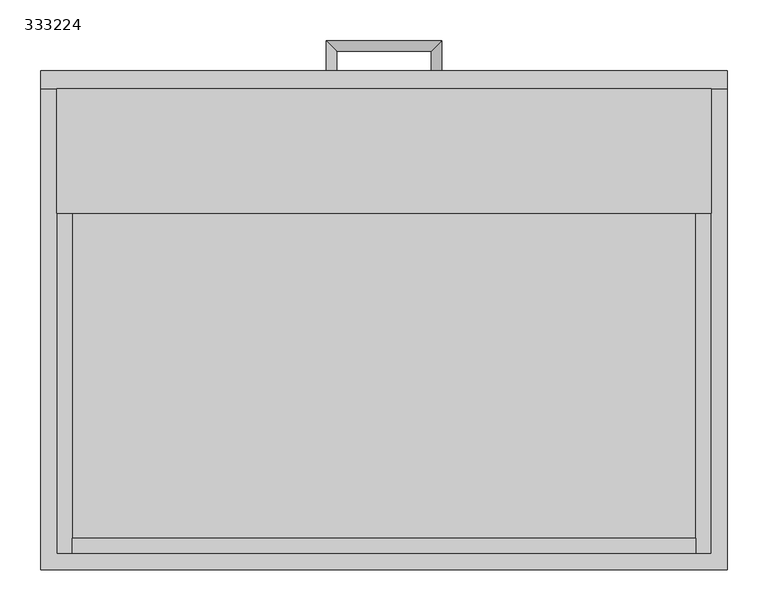
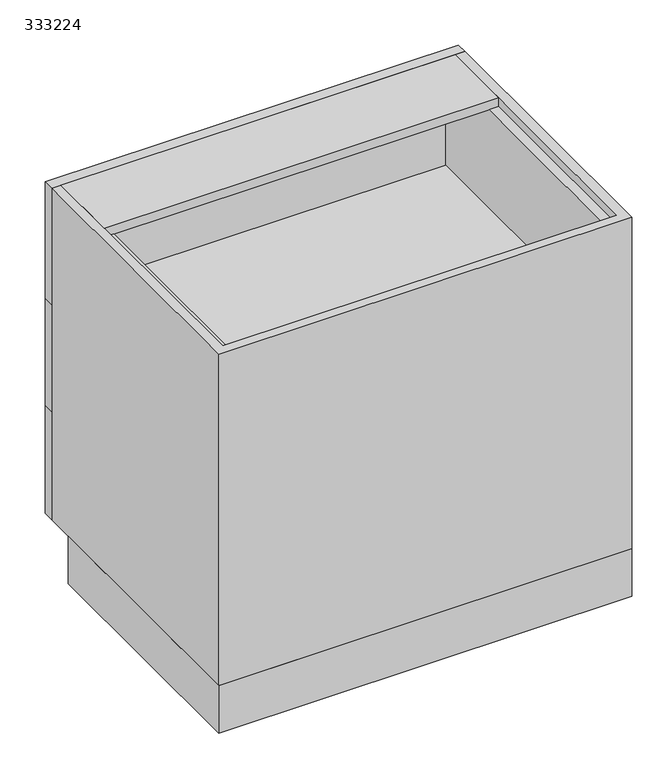
"""IFC4 building model written with IfcOpenShell, lengths in millimetres: furniture geometry, 333224."""

from ifc_helpers import new_model, si_unit, frame, origin, origin_with_axes, place, context, project, spatial, polyline, circle_curve, ellipse_curve, outline, extrude, source, transform, mapped, element, save
from ifc_brep_helpers import plane_surface, cylinder_surface, advanced_brep


def furniture_333224_3ac7c11c(model_context):
    return source(origin(), model_context, "Body", "SolidModel", [
        extrude(outline(polyline([(-400.3622951, 0.0), (-400.3622951, 528.6), (437.8377049, 528.6), (437.8377049, 0.0), (-400.3622951, 0.0)]), holes=[polyline([(-381.1622951, 509.4), (-381.1622951, 19.2), (418.6377049, 19.2), (418.6377049, 509.4), (-381.1622951, 509.4)])]), origin_with_axes(), (0.0, 0.0, 1.0), 101.5996875),
        extrude(outline(polyline([(399.4377049, 19.2), (-361.9622951, 19.2), (-361.9622951, 38.4), (399.4377049, 38.4), (399.4377049, 19.2)])), frame((0.0, 0.0, 582.1332292), z_axis=(0.0, 0.0, 1.0), x_axis=(1.0, 0.0, 0.0)), (0.0, 0.0, 1.0), 211.4667708),
        extrude(outline(polyline([(399.4377049, 19.2), (-361.9622951, 19.2), (-361.9622951, 38.4), (399.4377049, 38.4), (399.4377049, 19.2)])), frame((0.0, 0.0, 351.4664583), z_axis=(0.0, 0.0, 1.0), x_axis=(1.0, 0.0, 0.0)), (0.0, 0.0, 1.0), 211.4667708),
        extrude(outline(polyline([(399.4377049, 19.2), (-361.9622951, 19.2), (-361.9622951, 38.4), (399.4377049, 38.4), (399.4377049, 19.2)])), frame((0.0, 0.0, 120.7996875), z_axis=(0.0, 0.0, 1.0), x_axis=(1.0, 0.0, 0.0)), (0.0, 0.0, 1.0), 211.4667708),
        extrude(outline(polyline([(793.6, -381.1622951), (562.9332292, -381.1622951), (562.9332292, 418.6377049), (793.6, 418.6377049), (793.6, 399.4377049), (582.1332292, 399.4377049), (582.1332292, -361.9622951), (793.6, -361.9622951), (793.6, -381.1622951)])), frame((0.0, 19.2, 0.0), z_axis=(0.0, 1.0, 0.0), x_axis=(0.0, 0.0, 1.0)), (0.0, 0.0, 1.0), 568.4),
        extrude(outline(polyline([(562.9332292, -381.1622951), (332.2664583, -381.1622951), (332.2664583, 418.6377049), (562.9332292, 418.6377049), (562.9332292, 399.4377049), (351.4664583, 399.4377049), (351.4664583, -361.9622951), (562.9332292, -361.9622951), (562.9332292, -381.1622951)])), frame((0.0, 19.2, 0.0), z_axis=(0.0, 1.0, 0.0), x_axis=(0.0, 0.0, 1.0)), (0.0, 0.0, 1.0), 568.4),
        extrude(outline(polyline([(332.2664583, -381.1622951), (101.5996875, -381.1622951), (101.5996875, 418.6377049), (332.2664583, 418.6377049), (332.2664583, 399.4377049), (120.7996875, 399.4377049), (120.7996875, -361.9622951), (332.2664583, -361.9622951), (332.2664583, -381.1622951)])), frame((0.0, 19.2, 0.0), z_axis=(0.0, 1.0, 0.0), x_axis=(0.0, 0.0, 1.0)), (0.0, 0.0, 1.0), 568.4),
        extrude(outline(polyline([(418.6377049, 435.2), (-381.1622951, 435.2), (-381.1622951, 587.6), (418.6377049, 587.6), (418.6377049, 435.2)])), frame((0.0, 0.0, 793.6), z_axis=(0.0, 0.0, 1.0), x_axis=(1.0, 0.0, 0.0)), (0.0, 0.0, 1.0), 19.2),
        extrude(outline(polyline([(-400.3622951, 609.6), (437.8377049, 609.6), (437.8377049, 587.6), (-400.3622951, 587.6), (-400.3622951, 609.6)])), frame((0.0, 0.0, 562.9332292), z_axis=(0.0, 0.0, 1.0), x_axis=(1.0, 0.0, 0.0)), (0.0, 0.0, 1.0), 249.8667708),
        advanced_brep(
        [(-51.6122951, 609.6, 678.2666146), (-38.9122951, 609.6, 678.2666146), (-38.9122951, 633.25, 678.2666146), (-51.6122951, 645.95, 678.2666146), (76.3877049, 633.25, 678.2666146), (89.0877049, 645.95, 678.2666146), (89.0877049, 609.6, 678.2666146), (76.3877049, 609.6, 678.2666146)],
        [
            (0, 1, circle_curve(frame((-45.2622951, 609.6, 678.2666146), z_axis=(0.0, -1.0, 0.0), x_axis=(1.0, 0.0, 0.0)), 6.35)),
            (1, 0, circle_curve(frame((-45.2622951, 609.6, 678.2666146), z_axis=(0.0, -1.0, 0.0), x_axis=(1.0, 0.0, 0.0)), 6.35)),
            (1, 2),
            (2, 3, ellipse_curve(frame((-45.2622951, 639.6, 678.2666146), z_axis=(-0.7071067811865475, -0.7071067811865475, 0.0), x_axis=(0.7071067811865474, -0.7071067811865476, 0.0)), 8.9802561, 6.35)),
            (3, 0),
            (3, 2, ellipse_curve(frame((-45.2622951, 639.6, 678.2666146), z_axis=(-0.7071067811865475, -0.7071067811865475, 0.0), x_axis=(0.7071067811865474, -0.7071067811865476, 0.0)), 8.9802561, 6.35)),
            (2, 4),
            (4, 5, ellipse_curve(frame((82.7377049, 639.6, 678.2666146), z_axis=(-0.7071067811865475, 0.7071067811865475, 0.0), x_axis=(-0.7071067811865476, -0.7071067811865474, 0.0)), 8.9802561, 6.35)),
            (5, 3),
            (5, 4, ellipse_curve(frame((82.7377049, 639.6, 678.2666146), z_axis=(-0.7071067811865475, 0.7071067811865475, 0.0), x_axis=(-0.7071067811865476, -0.7071067811865474, 0.0)), 8.9802561, 6.35)),
            (6, 7, circle_curve(frame((82.7377049, 609.6, 678.2666146), z_axis=(0.0, -1.0, 0.0), x_axis=(-1.0, 0.0, 0.0)), 6.35)),
            (7, 6, circle_curve(frame((82.7377049, 609.6, 678.2666146), z_axis=(0.0, -1.0, 0.0), x_axis=(-1.0, 0.0, 0.0)), 6.35)),
            (4, 7),
            (6, 5),
        ],
        [
            plane_surface(frame((-45.2622951, 609.6, 678.2666146), z_axis=(0.0, -1.0, 0.0), x_axis=(0.0, 0.0, 1.0))),
            cylinder_surface(frame((-45.2622951, 609.6, 678.2666146), z_axis=(0.0, -1.0, 0.0), x_axis=(1.0, 0.0, 0.0)), 6.35),
            cylinder_surface(frame((-45.2622951, 639.6, 678.2666146), z_axis=(-1.0, 0.0, 0.0), x_axis=(0.0, -1.0, 0.0)), 6.35),
            plane_surface(frame((82.7377049, 609.6, 678.2666146), z_axis=(0.0, -1.0, 0.0), x_axis=(0.0, 0.0, 1.0))),
            cylinder_surface(frame((82.7377049, 639.6, 678.2666146), z_axis=(0.0, 1.0, 0.0), x_axis=(-1.0, 0.0, 0.0)), 6.35),
        ],
        [
            (0, [[1, 2]]),
            (1, [[3, 4, 5, -2]]),
            (1, [[-5, 6, -3, -1]]),
            (2, [[7, 8, 9, -4]]),
            (2, [[-9, 10, -7, -6]]),
            (3, [[11, 12]]),
            (4, [[13, -11, 14, -8]]),
            (4, [[-14, -12, -13, -10]]),
        ],
    ),
        advanced_brep(
        [(76.3877049, 609.6, 216.9330729), (89.0877049, 609.6, 216.9330729), (89.0877049, 645.95, 216.9330729), (76.3877049, 633.25, 216.9330729), (-51.6122951, 645.95, 216.9330729), (-38.9122951, 633.25, 216.9330729), (-38.9122951, 609.6, 216.9330729), (-51.6122951, 609.6, 216.9330729)],
        [
            (0, 1, circle_curve(frame((82.7377049, 609.6, 216.9330729), z_axis=(0.0, -1.0, 0.0), x_axis=(1.0, 0.0, 0.0)), 6.35)),
            (1, 0, circle_curve(frame((82.7377049, 609.6, 216.9330729), z_axis=(0.0, -1.0, 0.0), x_axis=(1.0, 0.0, 0.0)), 6.35)),
            (1, 2),
            (2, 3, ellipse_curve(frame((82.7377049, 639.6, 216.9330729), z_axis=(0.7071067811865475, -0.7071067811865475, 0.0), x_axis=(-0.7071067811865474, -0.7071067811865476, 0.0)), 8.9802561, 6.35)),
            (3, 0),
            (3, 2, ellipse_curve(frame((82.7377049, 639.6, 216.9330729), z_axis=(0.7071067811865475, -0.7071067811865475, 0.0), x_axis=(-0.7071067811865474, -0.7071067811865476, 0.0)), 8.9802561, 6.35)),
            (2, 4),
            (4, 5, ellipse_curve(frame((-45.2622951, 639.6, 216.9330729), z_axis=(0.7071067811865475, 0.7071067811865475, 0.0), x_axis=(0.7071067811865476, -0.7071067811865474, 0.0)), 8.9802561, 6.35)),
            (5, 3),
            (5, 4, ellipse_curve(frame((-45.2622951, 639.6, 216.9330729), z_axis=(0.7071067811865475, 0.7071067811865475, 0.0), x_axis=(0.7071067811865476, -0.7071067811865474, 0.0)), 8.9802561, 6.35)),
            (6, 7, circle_curve(frame((-45.2622951, 609.6, 216.9330729), z_axis=(0.0, -1.0, 0.0), x_axis=(-1.0, 0.0, 0.0)), 6.35)),
            (7, 6, circle_curve(frame((-45.2622951, 609.6, 216.9330729), z_axis=(0.0, -1.0, 0.0), x_axis=(-1.0, 0.0, 0.0)), 6.35)),
            (4, 7),
            (6, 5),
        ],
        [
            plane_surface(frame((82.7377049, 609.6, 216.9330729), z_axis=(0.0, -1.0, 0.0), x_axis=(0.0, 0.0, 1.0))),
            cylinder_surface(frame((82.7377049, 609.6, 216.9330729), z_axis=(0.0, -1.0, 0.0), x_axis=(1.0, 0.0, 0.0)), 6.35),
            cylinder_surface(frame((82.7377049, 639.6, 216.9330729), z_axis=(1.0, 0.0, 0.0), x_axis=(0.0, 1.0, 0.0)), 6.35),
            plane_surface(frame((-45.2622951, 609.6, 216.9330729), z_axis=(0.0, -1.0, 0.0), x_axis=(0.0, 0.0, 1.0))),
            cylinder_surface(frame((-45.2622951, 639.6, 216.9330729), z_axis=(0.0, 1.0, 0.0), x_axis=(-1.0, 0.0, 0.0)), 6.35),
        ],
        [
            (0, [[1, 2]]),
            (1, [[3, 4, 5, -2]]),
            (1, [[-5, 6, -3, -1]]),
            (2, [[7, 8, 9, -4]]),
            (2, [[-9, 10, -7, -6]]),
            (3, [[11, 12]]),
            (4, [[13, -11, 14, -8]]),
            (4, [[-14, -12, -13, -10]]),
        ],
    ),
        extrude(outline(polyline([(437.8377049, 587.6), (-400.3622951, 587.6), (-400.3622951, 609.6), (437.8377049, 609.6), (437.8377049, 587.6)])), frame((0.0, 0.0, 101.5996875), z_axis=(0.0, 0.0, 1.0), x_axis=(1.0, 0.0, 0.0)), (0.0, 0.0, 1.0), 230.6667708),
        advanced_brep(
        [(-51.6122951, 609.6, 447.5998437), (-38.9122951, 609.6, 447.5998437), (-38.9122951, 633.25, 447.5998437), (-51.6122951, 645.95, 447.5998437), (76.3877049, 633.25, 447.5998437), (89.0877049, 645.95, 447.5998437), (89.0877049, 609.6, 447.5998437), (76.3877049, 609.6, 447.5998437)],
        [
            (0, 1, circle_curve(frame((-45.2622951, 609.6, 447.5998437), z_axis=(0.0, -1.0, 0.0), x_axis=(1.0, 0.0, 0.0)), 6.35)),
            (1, 0, circle_curve(frame((-45.2622951, 609.6, 447.5998437), z_axis=(0.0, -1.0, 0.0), x_axis=(1.0, 0.0, 0.0)), 6.35)),
            (1, 2),
            (2, 3, ellipse_curve(frame((-45.2622951, 639.6, 447.5998437), z_axis=(-0.7071067811865475, -0.7071067811865475, 0.0), x_axis=(0.7071067811865474, -0.7071067811865476, 0.0)), 8.9802561, 6.35)),
            (3, 0),
            (3, 2, ellipse_curve(frame((-45.2622951, 639.6, 447.5998437), z_axis=(-0.7071067811865475, -0.7071067811865475, 0.0), x_axis=(0.7071067811865474, -0.7071067811865476, 0.0)), 8.9802561, 6.35)),
            (2, 4),
            (4, 5, ellipse_curve(frame((82.7377049, 639.6, 447.5998437), z_axis=(-0.7071067811865475, 0.7071067811865475, 0.0), x_axis=(-0.7071067811865476, -0.7071067811865474, 0.0)), 8.9802561, 6.35)),
            (5, 3),
            (5, 4, ellipse_curve(frame((82.7377049, 639.6, 447.5998437), z_axis=(-0.7071067811865475, 0.7071067811865475, 0.0), x_axis=(-0.7071067811865476, -0.7071067811865474, 0.0)), 8.9802561, 6.35)),
            (6, 7, circle_curve(frame((82.7377049, 609.6, 447.5998437), z_axis=(0.0, -1.0, 0.0), x_axis=(-1.0, 0.0, 0.0)), 6.35)),
            (7, 6, circle_curve(frame((82.7377049, 609.6, 447.5998437), z_axis=(0.0, -1.0, 0.0), x_axis=(-1.0, 0.0, 0.0)), 6.35)),
            (4, 7),
            (6, 5),
        ],
        [
            plane_surface(frame((-45.2622951, 609.6, 447.5998437), z_axis=(0.0, -1.0, 0.0), x_axis=(0.0, 0.0, 1.0))),
            cylinder_surface(frame((-45.2622951, 609.6, 447.5998437), z_axis=(0.0, -1.0, 0.0), x_axis=(1.0, 0.0, 0.0)), 6.35),
            cylinder_surface(frame((-45.2622951, 639.6, 447.5998437), z_axis=(-1.0, 0.0, 0.0), x_axis=(0.0, -1.0, 0.0)), 6.35),
            plane_surface(frame((82.7377049, 609.6, 447.5998437), z_axis=(0.0, -1.0, 0.0), x_axis=(0.0, 0.0, 1.0))),
            cylinder_surface(frame((82.7377049, 639.6, 447.5998437), z_axis=(0.0, 1.0, 0.0), x_axis=(-1.0, 0.0, 0.0)), 6.35),
        ],
        [
            (0, [[1, 2]]),
            (1, [[3, 4, 5, -2]]),
            (1, [[-5, 6, -3, -1]]),
            (2, [[7, 8, 9, -4]]),
            (2, [[-9, 10, -7, -6]]),
            (3, [[11, 12]]),
            (4, [[13, -11, 14, -8]]),
            (4, [[-14, -12, -13, -10]]),
        ],
    ),
        extrude(outline(polyline([(-400.3622951, 609.6), (437.8377049, 609.6), (437.8377049, 587.6), (-400.3622951, 587.6), (-400.3622951, 609.6)])), frame((0.0, 0.0, 332.2664583), z_axis=(0.0, 0.0, 1.0), x_axis=(1.0, 0.0, 0.0)), (0.0, 0.0, 1.0), 230.6667708),
        extrude(outline(polyline([(437.8377049, 587.6), (437.8377049, 0.0), (-400.3622951, 0.0), (-400.3622951, 587.6), (-381.1622951, 587.6), (-381.1622951, 19.2), (418.6377049, 19.2), (418.6377049, 587.6), (437.8377049, 587.6)])), frame((0.0, 0.0, 101.5996875), z_axis=(0.0, 0.0, 1.0), x_axis=(1.0, 0.0, 0.0)), (0.0, 0.0, 1.0), 711.2003125),
    ])


if __name__ == "__main__":
    model = new_model("IFC4")
    model_context = context("Model", 3, world=origin())
    ifc_project = project(units=[si_unit("LENGTHUNIT", "METRE", prefix="MILLI")], contexts=[model_context])
    site = spatial("IfcSite", under=ifc_project)
    building = spatial("IfcBuilding", under=site)
    placement = place(None, origin())
    furniture_333224_shape = furniture_333224_3ac7c11c(model_context)
    element("IfcFurniture", 1, ObjectType="333224", at=placement, inside=building, context=model_context, shape_type="MappedRepresentation", body=[
        mapped(furniture_333224_shape, transform((0.0, 0.0, 0.0), x_axis=(1.0, 0.0, 0.0), y_axis=(0.0, 1.0, 0.0), z_axis=(0.0, 0.0, 1.0))),
    ])
    save(model, "model.ifc")
